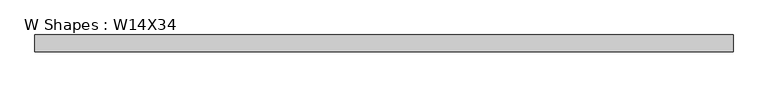
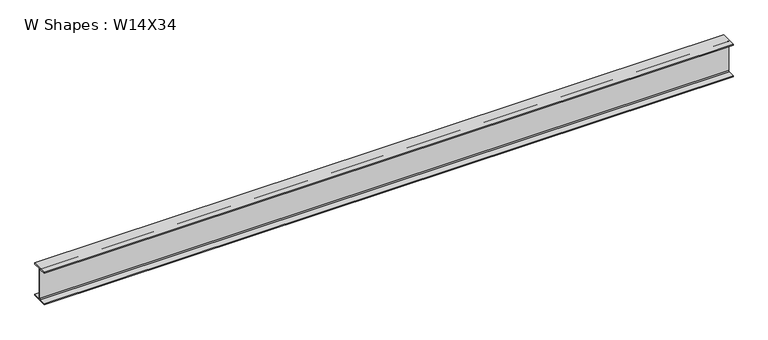
"""IFC4 building model written with IfcOpenShell, lengths in millimetres: beam geometry, W Shapes : W14X34."""

from ifc_helpers import new_model, si_unit, point, frame, frame_2d, origin, place, context, project, spatial, polyline, circle_curve, trimmed, segment, composite_curve, outline, extrude, source, transform, mapped, element, save


def w_shapes_w14x34_f733c238(model_context):
    return source(origin(), model_context, "Body", "SweptSolid", [
        extrude(outline(composite_curve([segment(polyline([(85.725, -166.243), (85.725, -177.8), (-85.725, -177.8), (-85.725, -166.243), (-13.7795, -166.243)]), True, "CONTINUOUS"), segment(trimmed(circle_curve(frame_2d((-13.7795, -156.083)), 10.16), [point((-13.7795, -166.243))], [point((-3.6195, -156.083))], True, "CARTESIAN"), True, "CONTINUOUS"), segment(polyline([(-3.6195, -156.083), (-3.6195, 156.083)]), True, "CONTINUOUS"), segment(trimmed(circle_curve(frame_2d((-13.7795, 156.083)), 10.16), [point((-3.6195, 156.083))], [point((-13.7795, 166.243))], True, "CARTESIAN"), True, "CONTINUOUS"), segment(polyline([(-13.7795, 166.243), (-85.725, 166.243), (-85.725, 177.8), (85.725, 177.8), (85.725, 166.243), (13.7795, 166.243)]), True, "CONTINUOUS"), segment(trimmed(circle_curve(frame_2d((13.7795, 156.083)), 10.16), [point((13.7795, 166.243))], [point((3.6195, 156.083))], True, "CARTESIAN"), True, "CONTINUOUS"), segment(polyline([(3.6195, 156.083), (3.6195, -156.083)]), True, "CONTINUOUS"), segment(trimmed(circle_curve(frame_2d((13.7795, -156.083)), 10.16), [point((3.6195, -156.083))], [point((13.7795, -166.243))], True, "CARTESIAN"), True, "CONTINUOUS"), segment(polyline([(13.7795, -166.243), (85.725, -166.243)]), True, "CONTINUOUS")], self_intersect=False)), frame((-3581.3999994, 0.0, 0.0), z_axis=(1.0, 0.0, 0.0), x_axis=(0.0, 1.0, 0.0)), (0.0, 0.0, 1.0), 7162.7999987),
    ])


if __name__ == "__main__":
    model = new_model("IFC4")
    model_context = context("Model", 3, world=origin())
    ifc_project = project(units=[si_unit("LENGTHUNIT", "METRE", prefix="MILLI")], contexts=[model_context])
    site = spatial("IfcSite", under=ifc_project)
    building = spatial("IfcBuilding", under=site)
    placement = place(None, origin())
    w_shapes_w14x34_shape = w_shapes_w14x34_f733c238(model_context)
    element("IfcBeam", 1, ObjectType="W Shapes : W14X34", at=placement, inside=building, context=model_context, shape_type="MappedRepresentation", body=[
        mapped(w_shapes_w14x34_shape, transform((0.0, 0.0, 0.0), x_axis=(1.0, 0.0, 0.0), y_axis=(0.0, 1.0, 0.0), z_axis=(0.0, 0.0, 1.0))),
    ])
    save(model, "model.ifc")
